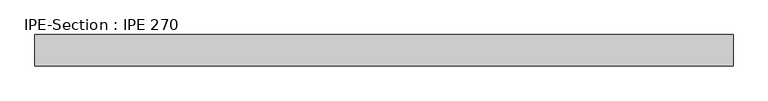
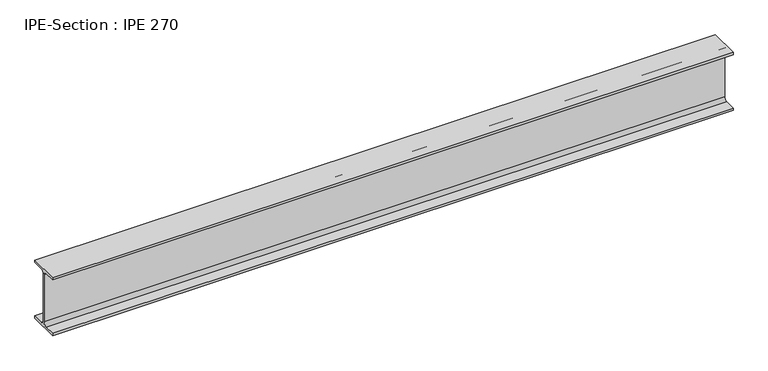
"""IFC4 building model written with IfcOpenShell, lengths in millimetres: beam geometry, IPE-Section : IPE 270."""

from ifc_helpers import new_model, si_unit, point, frame, frame_2d, origin, place, context, project, spatial, polyline, circle_curve, trimmed, segment, composite_curve, outline, extrude, source, transform, mapped, element, save


def ipe_section_ipe_270_7096ae6d(model_context):
    return source(origin(), model_context, "Body", "SweptSolid", [
        extrude(outline(composite_curve([segment(polyline([(-67.5, -124.8), (-18.3, -124.8)]), True, "CONTINUOUS"), segment(trimmed(circle_curve(frame_2d((-18.3, -109.8)), 15.0), [point((-18.3, -124.8))], [point((-3.3, -109.8))], True, "CARTESIAN"), True, "CONTINUOUS"), segment(polyline([(-3.3, -109.8), (-3.3, 109.8)]), True, "CONTINUOUS"), segment(trimmed(circle_curve(frame_2d((-18.3, 109.8)), 15.0), [point((-3.3, 109.8))], [point((-18.3, 124.8))], True, "CARTESIAN"), True, "CONTINUOUS"), segment(polyline([(-18.3, 124.8), (-67.5, 124.8), (-67.5, 135.0), (67.5, 135.0), (67.5, 124.8), (18.3, 124.8)]), True, "CONTINUOUS"), segment(trimmed(circle_curve(frame_2d((18.3, 109.8)), 15.0), [point((18.3, 124.8))], [point((3.3, 109.8))], True, "CARTESIAN"), True, "CONTINUOUS"), segment(polyline([(3.3, 109.8), (3.3, -109.8)]), True, "CONTINUOUS"), segment(trimmed(circle_curve(frame_2d((18.3, -109.8)), 15.0), [point((3.3, -109.8))], [point((18.3, -124.8))], True, "CARTESIAN"), True, "CONTINUOUS"), segment(polyline([(18.3, -124.8), (67.5, -124.8), (67.5, -135.0), (-67.5, -135.0), (-67.5, -124.8)]), True, "CONTINUOUS")], self_intersect=False)), frame((-1502.3, 0.0, 0.0), z_axis=(1.0, 0.0, 0.0), x_axis=(0.0, 1.0, 0.0)), (0.0, 0.0, 1.0), 3004.6),
    ])


if __name__ == "__main__":
    model = new_model("IFC4")
    model_context = context("Model", 3, world=origin())
    ifc_project = project(units=[si_unit("LENGTHUNIT", "METRE", prefix="MILLI")], contexts=[model_context])
    site = spatial("IfcSite", under=ifc_project)
    building = spatial("IfcBuilding", under=site)
    placement = place(None, origin())
    ipe_section_ipe_270_shape = ipe_section_ipe_270_7096ae6d(model_context)
    element("IfcBeam", 1, ObjectType="IPE-Section : IPE 270", at=placement, inside=building, context=model_context, shape_type="MappedRepresentation", body=[
        mapped(ipe_section_ipe_270_shape, transform((0.0, 0.0, 0.0), x_axis=(1.0, 0.0, 0.0), y_axis=(0.0, 1.0, 0.0), z_axis=(0.0, 0.0, 1.0))),
    ])
    save(model, "model.ifc")
